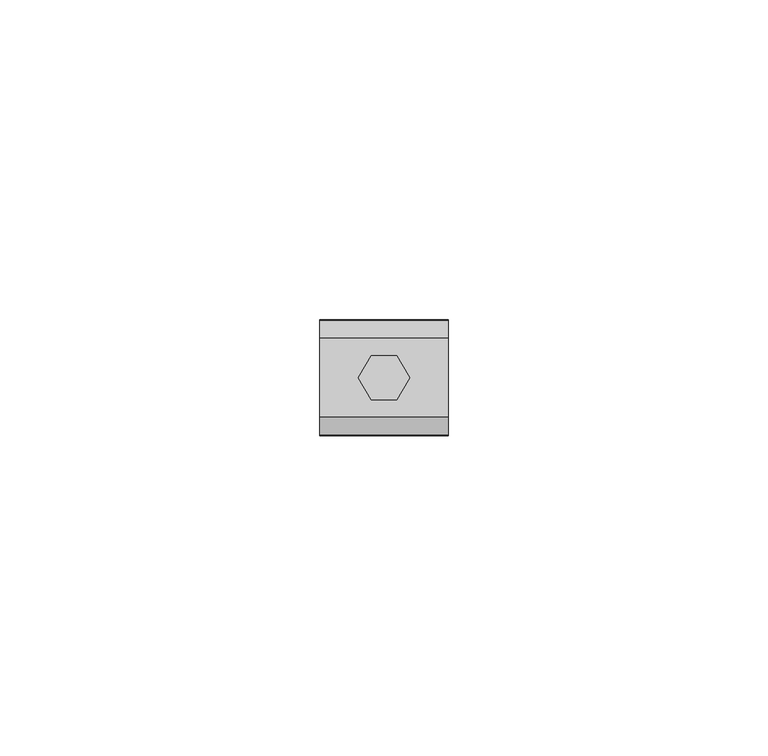
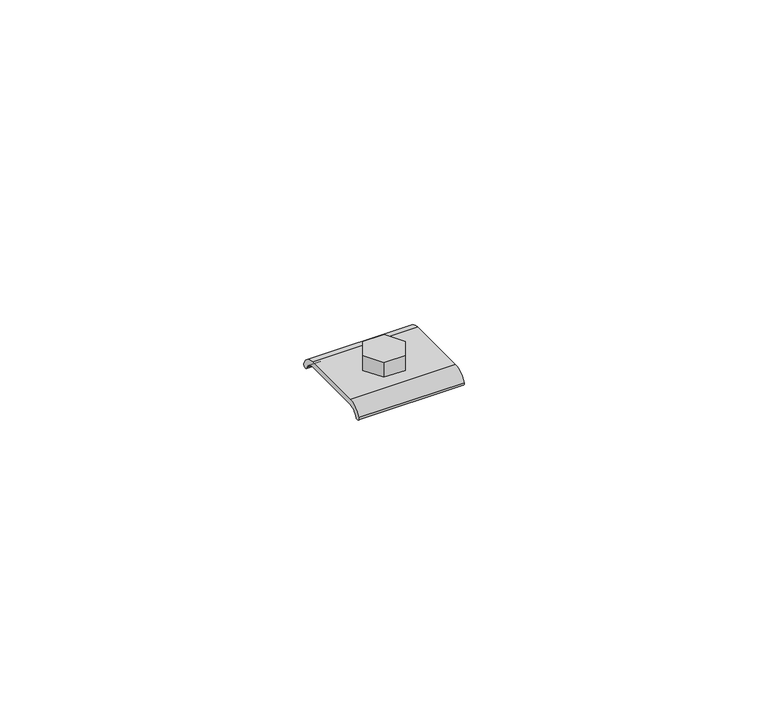
"""IFC4 building model written with IfcOpenShell, lengths in millimetres: beam geometry."""

from ifc_helpers import new_model, si_unit, point, frame, frame_2d, origin, place, context, project, spatial, polyline, circle_curve, trimmed, segment, composite_curve, outline, extrude, source, transform, mapped, element, save


def beam_e3dd2a6a(model_context):
    return source(origin(), model_context, "Body", "SweptSolid", [
        extrude(outline(polyline([(2.0, 3.4641016), (4.0, 0.0), (2.0, -3.4641016), (-2.0, -3.4641016), (-4.0, 0.0), (-2.0, 3.4641016), (2.0, 3.4641016)])), frame((0.0, 0.0, -25.7896475), z_axis=(0.0, 0.0, 1.0), x_axis=(1.0, 0.0, 0.0)), (0.0, 0.0, 1.0), 3.0),
        extrude(outline(composite_curve([segment(polyline([(6.1926676, -26.7896475), (-6.1926676, -26.7896475)]), True, "CONTINUOUS"), segment(trimmed(circle_curve(frame_2d((-6.1926676, -28.7842929)), 1.9946455), [point((-6.1926676, -26.7896475))], [point((-8.0352299, -28.0203722))], True, "CARTESIAN"), True, "CONTINUOUS"), segment(trimmed(circle_curve(frame_2d((-8.5323589, -27.9327149)), 0.504798), [point((-8.0352299, -28.0203722))], [point((-9.0067139, -27.7600639))], False, "CARTESIAN"), True, "CONTINUOUS"), segment(trimmed(circle_curve(frame_2d((-6.1926676, -28.7842929)), 2.9946455), [point((-9.0067139, -27.7600639))], [point((-6.1926676, -25.7896475))], False, "CARTESIAN"), True, "CONTINUOUS"), segment(polyline([(-6.1926676, -25.7896475), (6.1926676, -25.7896475)]), True, "CONTINUOUS"), segment(trimmed(circle_curve(frame_2d((6.1926676, -28.7842929)), 2.9946455), [point((6.1926676, -25.7896475))], [point((9.0067139, -27.7600639))], False, "CARTESIAN"), True, "CONTINUOUS"), segment(trimmed(circle_curve(frame_2d((8.5323589, -27.9327149)), 0.504798), [point((9.0067139, -27.7600639))], [point((8.0352299, -28.0203722))], False, "CARTESIAN"), True, "CONTINUOUS"), segment(trimmed(circle_curve(frame_2d((6.1926676, -28.7842929)), 1.9946455), [point((8.0352299, -28.0203722))], [point((6.1926676, -26.7896475))], True, "CARTESIAN"), True, "CONTINUOUS")], self_intersect=False)), frame((-10.003063, 0.0, 0.0), z_axis=(1.0, 0.0, 0.0), x_axis=(0.0, 1.0, 0.0)), (0.0, 0.0, 1.0), 20.0061261),
    ])


if __name__ == "__main__":
    model = new_model("IFC4")
    model_context = context("Model", 3, world=origin())
    ifc_project = project(units=[si_unit("LENGTHUNIT", "METRE", prefix="MILLI")], contexts=[model_context])
    site = spatial("IfcSite", under=ifc_project)
    building = spatial("IfcBuilding", under=site)
    placement = place(None, origin())
    beam_shape = beam_e3dd2a6a(model_context)
    element("IfcBeam", 1, at=placement, inside=building, context=model_context, shape_type="MappedRepresentation", body=[
        mapped(beam_shape, transform((0.0, 0.0, 0.0), x_axis=(1.0, 0.0, 0.0), y_axis=(0.0, 1.0, 0.0), z_axis=(0.0, 0.0, 1.0))),
    ])
    save(model, "model.ifc")
